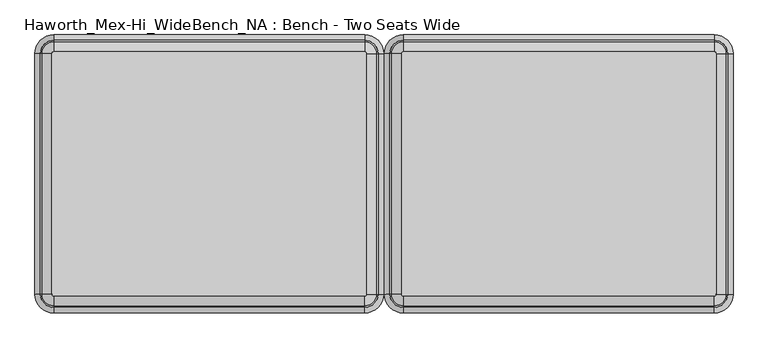
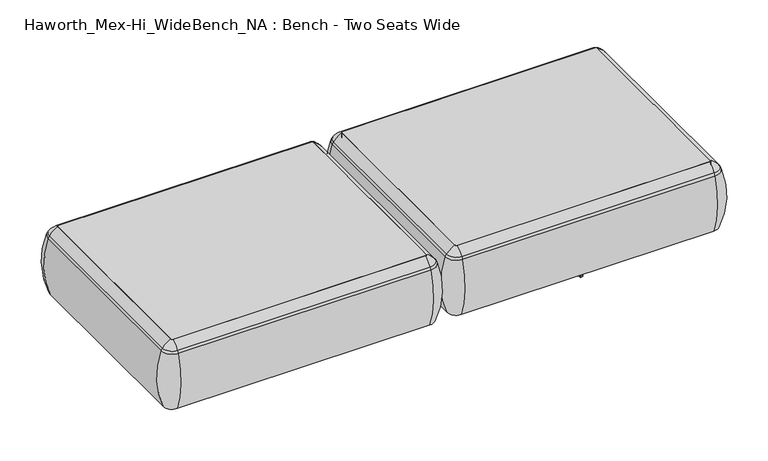
"""IFC4 building model written with IfcOpenShell, lengths in millimetres: furniture geometry, Haworth_Mex-Hi_WideBench_NA : Bench - Two Seats Wide."""

import ifcopenshell
import ifcopenshell.guid

model = None  # the IFC model being written
_history = None  # IfcOwnerHistory: only IFC2X3 demands one
_inside = {}  # id of a spatial element -> (the spatial element, [elements in it])
_under = {}  # id of a project, library or spatial element -> (it, [spatial elements below it])
_declared = {}  # id of a project -> (the project, [libraries it declares])
_typed = {}  # id of a type object -> (the type object, [elements of that type])
_made_of = {}  # id of a material, layer set ... -> (it, [elements and type objects made of it])


def new_model(schema):
    """Start an empty IFC model of exactly this schema.

    Asked for "IFC4X3", IfcOpenShell would pick the latest addendum, in which some entities
    have other attributes; the version numbers below select the first issue.
    IFC2X3 requires an IfcOwnerHistory on every rooted entity: one is made here for all.
    """
    global model, _history
    if schema == "IFC4X3":
        model = ifcopenshell.file(schema_version=(4, 3, 0, 0))
    else:
        model = ifcopenshell.file(schema=schema)
    _inside.clear()
    _under.clear()
    _declared.clear()
    _typed.clear()
    _made_of.clear()
    _history = None
    if model.schema == "IFC2X3":
        org = make("IfcOrganization", Name="unknown")
        user = make(
            "IfcPersonAndOrganization",
            ThePerson=make("IfcPerson", FamilyName="unknown"),
            TheOrganization=org,
        )
        app = make(
            "IfcApplication",
            ApplicationDeveloper=org,
            Version="unknown",
            ApplicationFullName="unknown",
            ApplicationIdentifier="unknown",
        )
        _history = make(
            "IfcOwnerHistory",
            OwningUser=user,
            OwningApplication=app,
            ChangeAction="ADDED",
            CreationDate=0,
        )
    return model


def make(cls, **values):
    """One entity of the class cls with the attributes given. An attribute that is None is left unset."""
    return model.create_entity(
        cls, **{name: value for name, value in values.items() if value is not None}
    )


def rooted(cls, **values):
    """An entity with a GlobalId (a new one), such as an element, a storey or a relation."""
    return make(cls, GlobalId=ifcopenshell.guid.new(), OwnerHistory=_history, **values)


def si_unit(unit_type, name, prefix=None):
    """IfcSIUnit, for example si_unit("LENGTHUNIT", "METRE", prefix="MILLI")."""
    return make("IfcSIUnit", UnitType=unit_type, Prefix=prefix, Name=name)


def assignment(units):
    """IfcUnitAssignment: the units of a project."""
    return None if units is None else make("IfcUnitAssignment", Units=units)


def point(xyz):
    """IfcCartesianPoint."""
    return None if xyz is None else make("IfcCartesianPoint", Coordinates=xyz)


def direction(xyz):
    """IfcDirection."""
    return None if xyz is None else make("IfcDirection", DirectionRatios=xyz)


def frame(location, z_axis=None, x_axis=None):
    """IfcAxis2Placement3D, a coordinate frame: its origin and axes. An axis left out is left unset."""
    return make(
        "IfcAxis2Placement3D",
        Location=point(location),
        Axis=direction(z_axis),
        RefDirection=direction(x_axis),
    )


def frame_2d(location, x_axis=None):
    """IfcAxis2Placement2D, a coordinate frame in the plane: its origin and x axis."""
    return make(
        "IfcAxis2Placement2D", Location=point(location), RefDirection=direction(x_axis)
    )


def origin():
    """The frame at (0, 0, 0) with its axes left unset."""
    return frame((0.0, 0.0, 0.0))


def place(relative_to, where):
    """IfcLocalPlacement: puts the frame where relative to a parent placement (None: the world)."""
    return make(
        "IfcLocalPlacement", PlacementRelTo=relative_to, RelativePlacement=where
    )


def context(
    kind, dimensions, precision=None, world=None, true_north=None, identifier=None
):
    """IfcGeometricRepresentationContext, for example the 3D "Model" context."""
    return make(
        "IfcGeometricRepresentationContext",
        ContextIdentifier=identifier,
        ContextType=kind,
        CoordinateSpaceDimension=dimensions,
        Precision=precision,
        WorldCoordinateSystem=world,
        TrueNorth=true_north,
    )


def project(units=None, contexts=None):
    """IfcProject with its units and contexts."""
    return rooted(
        "IfcProject",
        Name="project",
        RepresentationContexts=contexts,
        UnitsInContext=assignment(units),
    )


def spatial(cls, under=None, at=None, **own):
    """A site, building, storey or space (cls), placed at a placement, below another one or the project."""
    s = rooted(cls, ObjectPlacement=at, **own)
    if under is not None:
        _under.setdefault(under.id(), (under, []))[1].append(s)
    return s


def polyline(points):
    """IfcPolyline through the points."""
    return make("IfcPolyline", Points=[point(p) for p in points])


def circle_curve(where, radius):
    """IfcCircle in the frame where."""
    return make("IfcCircle", Position=where, Radius=radius)


def ellipse_curve(where, semi_axis1, semi_axis2):
    """IfcEllipse in the frame where."""
    return make(
        "IfcEllipse", Position=where, SemiAxis1=semi_axis1, SemiAxis2=semi_axis2
    )


def trimmed(basis, trim1, trim2, sense, master):
    """IfcTrimmedCurve: the piece of a basis curve between two trims."""
    return make(
        "IfcTrimmedCurve",
        BasisCurve=basis,
        Trim1=trim1,
        Trim2=trim2,
        SenseAgreement=sense,
        MasterRepresentation=master,
    )


def segment(curve, same_sense, transition):
    """IfcCompositeCurveSegment."""
    return make(
        "IfcCompositeCurveSegment",
        Transition=transition,
        SameSense=same_sense,
        ParentCurve=curve,
    )


def composite_curve(segments, self_intersect=None):
    """IfcCompositeCurve: segments joined end to end."""
    return make("IfcCompositeCurve", Segments=segments, SelfIntersect=self_intersect)


def outline(outer, holes=None, kind="AREA"):
    """IfcArbitraryClosedProfileDef: a profile drawn as a closed curve; with holes, ...WithVoids."""
    if holes is None:
        return make("IfcArbitraryClosedProfileDef", ProfileType=kind, OuterCurve=outer)
    return make(
        "IfcArbitraryProfileDefWithVoids",
        ProfileType=kind,
        OuterCurve=outer,
        InnerCurves=holes,
    )


def extrude(swept, where, along, depth):
    """IfcExtrudedAreaSolid: the profile swept, set in the frame where, extruded along a direction by depth."""
    return make(
        "IfcExtrudedAreaSolid",
        SweptArea=swept,
        Position=where,
        ExtrudedDirection=direction(along),
        Depth=depth,
    )


def shape(context_of_items, identifier, shape_type, items):
    """IfcShapeRepresentation: the items that make up one representation, for example the "Body"."""
    return make(
        "IfcShapeRepresentation",
        ContextOfItems=context_of_items,
        RepresentationIdentifier=identifier,
        RepresentationType=shape_type,
        Items=items,
    )


def source(mapping_origin, context_of_items, identifier, shape_type, items):
    """IfcRepresentationMap: a shape defined once, which mapped items show again and again."""
    return make(
        "IfcRepresentationMap",
        MappingOrigin=mapping_origin,
        MappedRepresentation=shape(context_of_items, identifier, shape_type, items),
    )


def transform(
    local_origin,
    x_axis=None,
    y_axis=None,
    z_axis=None,
    scale=None,
    scale2=None,
    scale3=None,
    uniform=True,
):
    """IfcCartesianTransformationOperator3D, or its non-uniform kind. x_axis, y_axis, z_axis: its Axis1, 2, 3."""
    if uniform:
        return make(
            "IfcCartesianTransformationOperator3D",
            Axis1=direction(x_axis),
            Axis2=direction(y_axis),
            LocalOrigin=point(local_origin),
            Scale=scale,
            Axis3=direction(z_axis),
        )
    return make(
        "IfcCartesianTransformationOperator3DnonUniform",
        Axis1=direction(x_axis),
        Axis2=direction(y_axis),
        LocalOrigin=point(local_origin),
        Scale=scale,
        Axis3=direction(z_axis),
        Scale2=scale2,
        Scale3=scale3,
    )


def mapped(mapping_source, mapping_target):
    """IfcMappedItem: shows the shape of a source again, moved by a transform."""
    return make(
        "IfcMappedItem", MappingSource=mapping_source, MappingTarget=mapping_target
    )


def made_of(thing, what):
    """Note that an element or type object is made of a material, layer set ...; save() writes the relation."""
    if what is not None:
        _made_of.setdefault(what.id(), (what, []))[1].append(thing)
    return thing


def element(
    cls,
    number,
    at=None,
    inside=None,
    cuts=None,
    type_object=None,
    material=None,
    context=None,
    identifier="Body",
    shape_type=None,
    held_by="IfcProductDefinitionShape",
    body=None,
    shapes=None,
    **own,
):
    """One element of the class cls, such as IfcWall. Its Tag is "e" and its number.

    at: its placement. inside: the storey or other place that contains it. cuts: it is an
    opening in that element (IfcRelVoidsElement). A single representation is given by context,
    identifier, shape_type and body (its items); several are given by shapes. held_by: the class
    of the entity that holds the representations. save() writes the other relations.
    """
    e = rooted(cls, Tag="e%d" % number, ObjectPlacement=at, **own)
    if body is not None:
        shapes = [shape(context, identifier, shape_type, body)]
    if shapes is not None:
        e.Representation = make(held_by, Representations=shapes)
    if inside is not None:
        _inside.setdefault(inside.id(), (inside, []))[1].append(e)
    if cuts is not None:
        rooted(
            "IfcRelVoidsElement", RelatingBuildingElement=cuts, RelatedOpeningElement=e
        )
    if type_object is not None:
        _typed.setdefault(type_object.id(), (type_object, []))[1].append(e)
    return made_of(e, material)


def aggregate(whole, parts):
    """IfcRelAggregates: a whole, such as a stair, and the parts it consists of."""
    return rooted("IfcRelAggregates", RelatingObject=whole, RelatedObjects=parts)


def save(model, path):
    """Write the relations noted so far, then the file.

    IfcRelAggregates (storeys below a building ...), IfcRelContainedInSpatialStructure (elements
    in a storey), IfcRelDefinesByType, IfcRelAssociatesMaterial and IfcRelDeclares: one each for
    every whole, place, type object, material and project.
    """
    for whole, parts in _under.values():
        aggregate(whole, parts)
    for where, things in _inside.values():
        rooted(
            "IfcRelContainedInSpatialStructure",
            RelatedElements=things,
            RelatingStructure=where,
        )
    for kind, things in _typed.values():
        rooted("IfcRelDefinesByType", RelatedObjects=things, RelatingType=kind)
    for what, things in _made_of.values():
        rooted("IfcRelAssociatesMaterial", RelatedObjects=things, RelatingMaterial=what)
    for by, libraries in _declared.values():
        rooted("IfcRelDeclares", RelatingContext=by, RelatedDefinitions=libraries)
    model.write(path)


def plane_surface(at):
    """IfcPlane: the flat surface through the origin of the frame at, square to its z axis."""
    return make("IfcPlane", Position=at)


def cylinder_surface(at, radius):
    """IfcCylindricalSurface: all points at the distance radius from the z axis of the frame at."""
    return make("IfcCylindricalSurface", Position=at, Radius=radius)


def revolved_surface(curve, axis_point, axis_direction):
    """IfcSurfaceOfRevolution: the curve turned about the line through axis_point along axis_direction."""
    return make(
        "IfcSurfaceOfRevolution",
        SweptCurve=make("IfcArbitraryOpenProfileDef", ProfileType="CURVE", Curve=curve),
        AxisPosition=make("IfcAxis1Placement", Location=point(axis_point), Axis=direction(axis_direction)),
    )


def advanced_brep(points, edges, surfaces, faces):
    """IfcAdvancedBrep: a solid bounded by faces that lie on surfaces and meet in shared edges.

    An edge is (start, end): straight between two places in points (the first is 0);
    or (start, end, curve); or (start, end, curve, False) where it runs against its curve.
    A face is (place in surfaces, loops), or (place, loops, False) where it looks against
    its surface's normal. A loop lists edges by number (the first is 1), with a minus sign
    where the edge is run from its end to its start. The first loop is the outer one.
    """
    corners = [point(p) for p in points]
    vertices = [make("IfcVertexPoint", VertexGeometry=c) for c in corners]
    made = []
    for start, end, *more in edges:
        made.append(
            make(
                "IfcEdgeCurve",
                EdgeStart=vertices[start],
                EdgeEnd=vertices[end],
                EdgeGeometry=more[0] if more else make("IfcPolyline", Points=[corners[start], corners[end]]),
                SameSense=more[1] if len(more) > 1 else True,
            )
        )
    hull = []
    for where, loops, *sense in faces:
        bounds = []
        for j, loop in enumerate(loops):
            ring = [make("IfcOrientedEdge", EdgeElement=made[abs(k) - 1], Orientation=k > 0) for k in loop]
            bounds.append(
                make(
                    "IfcFaceOuterBound" if j == 0 else "IfcFaceBound",
                    Bound=make("IfcEdgeLoop", EdgeList=ring),
                    Orientation=True,
                )
            )
        hull.append(make("IfcAdvancedFace", Bounds=bounds, FaceSurface=surfaces[where], SameSense=sense[0] if sense else True))
    return make("IfcAdvancedBrep", Outer=make("IfcClosedShell", CfsFaces=hull))


def haworth_mex_hi_widebench_na_bench_two_seats_wide_22a17a26(model_context):
    return source(origin(), model_context, "Body", "SolidModel", [
        extrude(outline(composite_curve([segment(trimmed(circle_curve(frame_2d((885.0815868, -668.4794123)), 5.2798073), [point((890.3613941, -668.4794123))], [point((885.0815868, -673.7592195))], False, "CARTESIAN"), True, "CONTINUOUS"), segment(polyline([(885.0815868, -673.7592195), (-94.0884132, -673.7592195)]), True, "CONTINUOUS"), segment(trimmed(circle_curve(frame_2d((-94.0884132, -668.4794123)), 5.2798073), [point((-94.0884132, -673.7592195))], [point((-99.3682204, -668.4794123))], False, "CARTESIAN"), True, "CONTINUOUS"), segment(polyline([(-99.3682204, -668.4794123), (-99.3682204, 89.8571486)]), True, "CONTINUOUS"), segment(trimmed(circle_curve(frame_2d((-94.0884132, 89.8571486)), 5.2798073), [point((-99.3682204, 89.8571486))], [point((-94.0884132, 95.1369558))], False, "CARTESIAN"), True, "CONTINUOUS"), segment(polyline([(-94.0884132, 95.1369558), (885.0815868, 95.1369558)]), True, "CONTINUOUS"), segment(trimmed(circle_curve(frame_2d((885.0815868, 89.8571486)), 5.2798073), [point((885.0815868, 95.1369558))], [point((890.3613941, 89.8571486))], False, "CARTESIAN"), True, "CONTINUOUS"), segment(polyline([(890.3613941, 89.8571486), (890.3613941, -668.4794123)]), True, "CONTINUOUS")], self_intersect=False)), frame((0.0, 0.0, 123.9999984), z_axis=(0.0, 0.0, 1.0), x_axis=(1.0, 0.0, 0.0)), (0.0, 0.0, 1.0), 266.3914023),
        advanced_brep(
        [(-99.3682204, -668.4794123, 390.3914007), (-94.0884132, -673.7592195, 390.3914007), (-94.0884132, -673.7592195, 123.9999984), (-99.3682204, -668.4794123, 123.9999984), (-128.0562646, -668.4794123, 123.9999984), (-94.0884132, -702.4472637, 123.9999984), (-94.0884132, -710.1267287, 353.7769053), (-135.7357296, -668.4794123, 353.7769053), (-99.3682204, 89.8571486, 123.9999984), (-99.3682204, 89.8571486, 390.3914007), (-135.7357296, 89.8571486, 353.7769053), (-128.0562646, 89.8571486, 123.9999984), (-94.0884132, 95.1369558, 390.3914007), (-94.0884132, 95.1369558, 123.9999984), (-94.0884132, 123.825, 123.9999984), (-94.0884132, 131.504465, 353.7769053), (885.0815868, 95.1369558, 123.9999984), (885.0815868, 95.1369558, 390.3914007), (885.0815868, 131.504465, 353.7769053), (885.0815868, 123.825, 123.9999984), (890.3613941, 89.8571486, 390.3914007), (890.3613941, 89.8571486, 123.9999984), (919.0494383, 89.8571486, 123.9999984), (926.7289033, 89.8571486, 353.7769053), (890.3613941, -668.4794123, 123.9999984), (890.3613941, -668.4794123, 390.3914007), (926.7289033, -668.4794123, 353.7769053), (919.0494383, -668.4794123, 123.9999984), (885.0815868, -673.7592195, 390.3914007), (885.0815868, -673.7592195, 123.9999984), (885.0815868, -702.4472637, 123.9999984), (885.0815868, -710.1267287, 353.7769053), (-130.5172697, -668.4794123, 363.6402875), (-94.0884132, -704.9082688, 363.6402875), (-130.5172697, 89.8571486, 363.6402875), (-94.0884132, 126.2860051, 363.6402875), (885.0815868, 126.2860051, 363.6402875), (921.5104434, 89.8571486, 363.6402875), (921.5104434, -668.4794123, 363.6402875), (885.0815868, -704.9082688, 363.6402875)],
        [
            (0, 1, circle_curve(frame((-94.0884132, -668.4794123, 390.3914007), z_axis=(0.0, 0.0, 1.0), x_axis=(0.0, -1.0, 0.0)), 5.2798073)),
            (1, 2),
            (2, 3, circle_curve(frame((-94.0884132, -668.4794123, 123.9999984), z_axis=(0.0, 0.0, -1.0), x_axis=(0.0, -1.0, 0.0)), 5.2798073)),
            (3, 0),
            (4, 5, circle_curve(frame((-94.0884132, -668.4794123, 123.9999984), z_axis=(0.0, 0.0, 1.0), x_axis=(0.0, -1.0, 0.0)), 33.9678514)),
            (5, 6, circle_curve(frame((-94.0884132, -406.0729797, 248.9220234), z_axis=(-1.0, 0.0, 0.0), x_axis=(0.0, -1.0, 0.0)), 321.625914)),
            (6, 7, circle_curve(frame((-94.0884132, -668.4794123, 353.7769053), z_axis=(0.0, 0.0, -1.0), x_axis=(0.0, -1.0, 0.0)), 41.6473165)),
            (7, 4, circle_curve(frame((168.3180194, -668.4794123, 248.9220234), z_axis=(0.0, -1.0, 0.0), x_axis=(-1.0, 0.0, 0.0)), 321.625914)),
            (3, 8),
            (8, 9),
            (9, 0),
            (7, 10),
            (10, 11, circle_curve(frame((168.3180194, 89.8571486, 248.9220234), z_axis=(0.0, -1.0, 0.0), x_axis=(-1.0, 0.0, 0.0)), 321.625914)),
            (11, 4),
            (12, 9, circle_curve(frame((-94.0884132, 89.8571486, 390.3914007), z_axis=(0.0, 0.0, 1.0), x_axis=(-1.0, 0.0, 0.0)), 5.2798073)),
            (8, 13, circle_curve(frame((-94.0884132, 89.8571486, 123.9999984), z_axis=(0.0, 0.0, -1.0), x_axis=(-1.0, 0.0, 0.0)), 5.2798073)),
            (13, 12),
            (14, 11, circle_curve(frame((-94.0884132, 89.8571486, 123.9999984), z_axis=(0.0, 0.0, 1.0), x_axis=(-1.0, 0.0, 0.0)), 33.9678514)),
            (10, 15, circle_curve(frame((-94.0884132, 89.8571486, 353.7769053), z_axis=(0.0, 0.0, -1.0), x_axis=(-1.0, 0.0, 0.0)), 41.6473165)),
            (15, 14, circle_curve(frame((-94.0884132, -172.549284, 248.9220234), z_axis=(-1.0, 0.0, 0.0), x_axis=(0.0, 1.0, 0.0)), 321.625914)),
            (13, 16),
            (16, 17),
            (17, 12),
            (15, 18),
            (18, 19, circle_curve(frame((885.0815868, -172.549284, 248.9220234), z_axis=(-1.0, 0.0, 0.0), x_axis=(0.0, 1.0, 0.0)), 321.625914)),
            (19, 14),
            (20, 17, circle_curve(frame((885.0815868, 89.8571486, 390.3914007), z_axis=(0.0, 0.0, 1.0), x_axis=(0.0, 1.0, 0.0)), 5.2798073)),
            (16, 21, circle_curve(frame((885.0815868, 89.8571486, 123.9999984), z_axis=(0.0, 0.0, -1.0), x_axis=(0.0, 1.0, 0.0)), 5.2798073)),
            (21, 20),
            (22, 19, circle_curve(frame((885.0815868, 89.8571486, 123.9999984), z_axis=(0.0, 0.0, 1.0), x_axis=(0.0, 1.0, 0.0)), 33.9678514)),
            (18, 23, circle_curve(frame((885.0815868, 89.8571486, 353.7769053), z_axis=(0.0, 0.0, -1.0), x_axis=(0.0, 1.0, 0.0)), 41.6473165)),
            (23, 22, circle_curve(frame((622.6751543, 89.8571486, 248.9220234), z_axis=(0.0, 1.0, 0.0), x_axis=(1.0, 0.0, 0.0)), 321.625914)),
            (21, 24),
            (24, 25),
            (25, 20),
            (23, 26),
            (26, 27, circle_curve(frame((622.6751543, -668.4794123, 248.9220234), z_axis=(0.0, 1.0, 0.0), x_axis=(1.0, 0.0, 0.0)), 321.625914)),
            (27, 22),
            (28, 25, circle_curve(frame((885.0815868, -668.4794123, 390.3914007), z_axis=(0.0, 0.0, 1.0), x_axis=(1.0, 0.0, 0.0)), 5.2798073)),
            (24, 29, circle_curve(frame((885.0815868, -668.4794123, 123.9999984), z_axis=(0.0, 0.0, -1.0), x_axis=(1.0, 0.0, 0.0)), 5.2798073)),
            (29, 28),
            (30, 27, circle_curve(frame((885.0815868, -668.4794123, 123.9999984), z_axis=(0.0, 0.0, 1.0), x_axis=(1.0, 0.0, 0.0)), 33.9678514)),
            (26, 31, circle_curve(frame((885.0815868, -668.4794123, 353.7769053), z_axis=(0.0, 0.0, -1.0), x_axis=(1.0, 0.0, 0.0)), 41.6473165)),
            (31, 30, circle_curve(frame((885.0815868, -406.0729797, 248.9220234), z_axis=(1.0, 0.0, 0.0), x_axis=(0.0, -1.0, 0.0)), 321.625914)),
            (30, 5),
            (2, 29),
            (1, 28),
            (31, 6),
            (32, 33, circle_curve(frame((-94.0884132, -668.4794123, 363.6402875), z_axis=(0.0, 0.0, 1.0), x_axis=(0.0, -1.0, 0.0)), 36.4288566)),
            (33, 1, circle_curve(frame((-94.0884132, -629.5266, 307.3762868), z_axis=(-1.0, 0.0, 0.0), x_axis=(0.0, -1.0, 0.0)), 94.0639876)),
            (0, 32, circle_curve(frame((-55.1356009, -668.4794123, 307.3762868), z_axis=(0.0, -1.0, 0.0), x_axis=(-1.0, 0.0, 0.0)), 94.0639876)),
            (6, 33, circle_curve(frame((-94.0884132, -675.8620096, 341.9604975), z_axis=(-1.0, 0.0, 0.0), x_axis=(0.0, -1.0, 0.0)), 36.2449785)),
            (32, 7, circle_curve(frame((-101.4710105, -668.4794123, 341.9604975), z_axis=(0.0, -1.0, 0.0), x_axis=(-1.0, 0.0, 0.0)), 36.2449785)),
            (9, 34, circle_curve(frame((-55.1356009, 89.8571486, 307.3762868), z_axis=(0.0, -1.0, 0.0), x_axis=(-1.0, 0.0, 0.0)), 94.0639876)),
            (34, 32),
            (34, 10, circle_curve(frame((-101.4710105, 89.8571486, 341.9604975), z_axis=(0.0, -1.0, 0.0), x_axis=(-1.0, 0.0, 0.0)), 36.2449785)),
            (35, 34, circle_curve(frame((-94.0884132, 89.8571486, 363.6402875), z_axis=(0.0, 0.0, 1.0), x_axis=(-1.0, 0.0, 0.0)), 36.4288566)),
            (12, 35, circle_curve(frame((-94.0884132, 50.9043363, 307.3762868), z_axis=(-1.0, 0.0, 0.0), x_axis=(0.0, 1.0, 0.0)), 94.0639876)),
            (35, 15, circle_curve(frame((-94.0884132, 97.2397459, 341.9604975), z_axis=(-1.0, 0.0, 0.0), x_axis=(0.0, 1.0, 0.0)), 36.2449785)),
            (17, 36, circle_curve(frame((885.0815868, 50.9043363, 307.3762868), z_axis=(-1.0, 0.0, 0.0), x_axis=(0.0, 1.0, 0.0)), 94.0639876)),
            (36, 35),
            (36, 18, circle_curve(frame((885.0815868, 97.2397459, 341.9604975), z_axis=(-1.0, 0.0, 0.0), x_axis=(0.0, 1.0, 0.0)), 36.2449785)),
            (37, 36, circle_curve(frame((885.0815868, 89.8571486, 363.6402875), z_axis=(0.0, 0.0, 1.0), x_axis=(0.0, 1.0, 0.0)), 36.4288566)),
            (20, 37, circle_curve(frame((846.1287746, 89.8571486, 307.3762868), z_axis=(0.0, 1.0, 0.0), x_axis=(1.0, 0.0, 0.0)), 94.0639876)),
            (37, 23, circle_curve(frame((892.4641842, 89.8571486, 341.9604975), z_axis=(0.0, 1.0, 0.0), x_axis=(1.0, 0.0, 0.0)), 36.2449785)),
            (25, 38, circle_curve(frame((846.1287746, -668.4794123, 307.3762868), z_axis=(0.0, 1.0, 0.0), x_axis=(1.0, 0.0, 0.0)), 94.0639876)),
            (38, 37),
            (38, 26, circle_curve(frame((892.4641842, -668.4794123, 341.9604975), z_axis=(0.0, 1.0, 0.0), x_axis=(1.0, 0.0, 0.0)), 36.2449785)),
            (39, 38, circle_curve(frame((885.0815868, -668.4794123, 363.6402875), z_axis=(0.0, 0.0, 1.0), x_axis=(1.0, 0.0, 0.0)), 36.4288566)),
            (28, 39, circle_curve(frame((885.0815868, -629.5266, 307.3762868), z_axis=(1.0, 0.0, 0.0), x_axis=(0.0, -1.0, 0.0)), 94.0639876)),
            (39, 31, circle_curve(frame((885.0815868, -675.8620096, 341.9604975), z_axis=(1.0, 0.0, 0.0), x_axis=(0.0, -1.0, 0.0)), 36.2449785)),
            (33, 39),
        ],
        [
            revolved_surface(polyline([(-94.0884132, -673.7592196, 123.9999984), (-94.0884132, -673.7592196, 390.3914007)]), (-94.0884132, -668.4794123, 0.0), (0.0, 0.0, -1.0)),
            revolved_surface(trimmed(ellipse_curve(frame((-94.0884132, -406.0729797, 248.9220234), z_axis=(1.0, 0.0, 0.0), x_axis=(0.0, -1.0, 0.0)), 321.625914, 321.625914), [point((-94.0884132, -710.1267287, 353.7769053))], [point((-94.0884132, -702.4472637, 123.9999984))], True, "CARTESIAN"), (-94.0884132, -668.4794123, 0.0), (0.0, 0.0, -1.0)),
            plane_surface(frame((-99.3682204, -668.4794123, 123.9999984), z_axis=(1.0, 0.0, 0.0), x_axis=(0.0, 1.0, 0.0))),
            cylinder_surface(frame((168.3180194, -668.4794123, 248.9220234), z_axis=(0.0, -1.0, 0.0), x_axis=(-1.0, 0.0, 0.0)), 321.625914),
            revolved_surface(polyline([(-99.3682205, 89.8571486, 123.9999984), (-99.3682205, 89.8571486, 390.3914007)]), (-94.0884132, 89.8571486, 0.0), (0.0, 0.0, -1.0)),
            revolved_surface(trimmed(ellipse_curve(frame((168.3180194, 89.8571486, 248.9220234), z_axis=(0.0, -1.0, 0.0), x_axis=(-1.0, 0.0, 0.0)), 321.625914, 321.625914), [point((-135.7357296, 89.8571486, 353.7769053))], [point((-128.0562646, 89.8571486, 123.9999984))], True, "CARTESIAN"), (-94.0884132, 89.8571486, 0.0), (0.0, 0.0, -1.0)),
            plane_surface(frame((-94.0884132, 95.1369558, 123.9999984), z_axis=(0.0, -1.0, 0.0), x_axis=(1.0, 0.0, 0.0))),
            cylinder_surface(frame((-94.0884132, -172.549284, 248.9220234), z_axis=(-1.0, 0.0, 0.0), x_axis=(0.0, 1.0, 0.0)), 321.625914),
            revolved_surface(polyline([(885.0815868, 95.1369559, 123.9999984), (885.0815868, 95.1369559, 390.3914007)]), (885.0815868, 89.8571486, 0.0), (0.0, 0.0, -1.0)),
            revolved_surface(trimmed(ellipse_curve(frame((885.0815868, -172.549284, 248.9220234), z_axis=(-1.0, 0.0, 0.0), x_axis=(0.0, 1.0, 0.0)), 321.625914, 321.625914), [point((885.0815868, 131.504465, 353.7769053))], [point((885.0815868, 123.825, 123.9999984))], True, "CARTESIAN"), (885.0815868, 89.8571486, 0.0), (0.0, 0.0, -1.0)),
            plane_surface(frame((890.3613941, 89.8571486, 123.9999984), z_axis=(-1.0, 0.0, 0.0), x_axis=(0.0, -1.0, 0.0))),
            cylinder_surface(frame((622.6751543, 89.8571486, 248.9220234), z_axis=(0.0, 1.0, 0.0), x_axis=(1.0, 0.0, 0.0)), 321.625914),
            revolved_surface(polyline([(890.3613941, -668.4794123, 123.9999984), (890.3613941, -668.4794123, 390.3914007)]), (885.0815868, -668.4794123, 0.0), (0.0, 0.0, -1.0)),
            revolved_surface(trimmed(ellipse_curve(frame((622.6751543, -668.4794123, 248.9220234), z_axis=(0.0, 1.0, 0.0), x_axis=(1.0, 0.0, 0.0)), 321.625914, 321.625914), [point((926.7289033, -668.4794123, 353.7769053))], [point((919.0494383, -668.4794123, 123.9999984))], True, "CARTESIAN"), (885.0815868, -668.4794123, 0.0), (0.0, 0.0, -1.0)),
            plane_surface(frame((885.0815868, -702.4472637, 123.9999984), z_axis=(0.0, 0.0, -1.0), x_axis=(-1.0, 0.0, 0.0))),
            plane_surface(frame((885.0815868, -673.7592195, 123.9999984), z_axis=(0.0, 1.0, 0.0), x_axis=(-1.0, 0.0, 0.0))),
            cylinder_surface(frame((885.0815868, -406.0729797, 248.9220234), z_axis=(1.0, 0.0, 0.0), x_axis=(0.0, -1.0, 0.0)), 321.625914),
            revolved_surface(trimmed(ellipse_curve(frame((-94.0884132, -629.5266, 307.3762868), z_axis=(1.0, 0.0, 0.0), x_axis=(0.0, -1.0, 0.0)), 94.0639876, 94.0639876), [point((-94.0884132, -673.7592195, 390.3914007))], [point((-94.0884132, -704.9082688, 363.6402875))], True, "CARTESIAN"), (-94.0884132, -668.4794123, 0.0), (0.0, 0.0, -1.0)),
            revolved_surface(trimmed(ellipse_curve(frame((-94.0884132, -675.8620096, 341.9604975), z_axis=(1.0, 0.0, 0.0), x_axis=(0.0, -1.0, 0.0)), 36.2449785, 36.2449785), [point((-94.0884132, -704.9082688, 363.6402875))], [point((-94.0884132, -710.1267287, 353.7769053))], True, "CARTESIAN"), (-94.0884132, -668.4794123, 0.0), (0.0, 0.0, -1.0)),
            cylinder_surface(frame((-55.1356009, -668.4794123, 307.3762868), z_axis=(0.0, -1.0, 0.0), x_axis=(-1.0, 0.0, 0.0)), 94.0639876),
            cylinder_surface(frame((-101.4710105, -668.4794123, 341.9604975), z_axis=(0.0, -1.0, 0.0), x_axis=(-1.0, 0.0, 0.0)), 36.2449785),
            revolved_surface(trimmed(ellipse_curve(frame((-55.1356009, 89.8571486, 307.3762868), z_axis=(0.0, -1.0, 0.0), x_axis=(-1.0, 0.0, 0.0)), 94.0639876, 94.0639876), [point((-99.3682204, 89.8571486, 390.3914007))], [point((-130.5172697, 89.8571486, 363.6402875))], True, "CARTESIAN"), (-94.0884132, 89.8571486, 0.0), (0.0, 0.0, -1.0)),
            revolved_surface(trimmed(ellipse_curve(frame((-101.4710105, 89.8571486, 341.9604975), z_axis=(0.0, -1.0, 0.0), x_axis=(-1.0, 0.0, 0.0)), 36.2449785, 36.2449785), [point((-130.5172697, 89.8571486, 363.6402875))], [point((-135.7357296, 89.8571486, 353.7769053))], True, "CARTESIAN"), (-94.0884132, 89.8571486, 0.0), (0.0, 0.0, -1.0)),
            cylinder_surface(frame((-94.0884132, 50.9043363, 307.3762868), z_axis=(-1.0, 0.0, 0.0), x_axis=(0.0, 1.0, 0.0)), 94.0639876),
            cylinder_surface(frame((-94.0884132, 97.2397459, 341.9604975), z_axis=(-1.0, 0.0, 0.0), x_axis=(0.0, 1.0, 0.0)), 36.2449785),
            revolved_surface(trimmed(ellipse_curve(frame((885.0815868, 50.9043363, 307.3762868), z_axis=(-1.0, 0.0, 0.0), x_axis=(0.0, 1.0, 0.0)), 94.0639876, 94.0639876), [point((885.0815868, 95.1369558, 390.3914007))], [point((885.0815868, 126.2860051, 363.6402875))], True, "CARTESIAN"), (885.0815868, 89.8571486, 0.0), (0.0, 0.0, -1.0)),
            revolved_surface(trimmed(ellipse_curve(frame((885.0815868, 97.2397459, 341.9604975), z_axis=(-1.0, 0.0, 0.0), x_axis=(0.0, 1.0, 0.0)), 36.2449785, 36.2449785), [point((885.0815868, 126.2860051, 363.6402875))], [point((885.0815868, 131.504465, 353.7769053))], True, "CARTESIAN"), (885.0815868, 89.8571486, 0.0), (0.0, 0.0, -1.0)),
            cylinder_surface(frame((846.1287746, 89.8571486, 307.3762868), z_axis=(0.0, 1.0, 0.0), x_axis=(1.0, 0.0, 0.0)), 94.0639876),
            cylinder_surface(frame((892.4641842, 89.8571486, 341.9604975), z_axis=(0.0, 1.0, 0.0), x_axis=(1.0, 0.0, 0.0)), 36.2449785),
            revolved_surface(trimmed(ellipse_curve(frame((846.1287746, -668.4794123, 307.3762868), z_axis=(0.0, 1.0, 0.0), x_axis=(1.0, 0.0, 0.0)), 94.0639876, 94.0639876), [point((890.3613941, -668.4794123, 390.3914007))], [point((921.5104434, -668.4794123, 363.6402875))], True, "CARTESIAN"), (885.0815868, -668.4794123, 0.0), (0.0, 0.0, -1.0)),
            revolved_surface(trimmed(ellipse_curve(frame((892.4641842, -668.4794123, 341.9604975), z_axis=(0.0, 1.0, 0.0), x_axis=(1.0, 0.0, 0.0)), 36.2449785, 36.2449785), [point((921.5104434, -668.4794123, 363.6402875))], [point((926.7289033, -668.4794123, 353.7769053))], True, "CARTESIAN"), (885.0815868, -668.4794123, 0.0), (0.0, 0.0, -1.0)),
            cylinder_surface(frame((885.0815868, -629.5266, 307.3762868), z_axis=(1.0, 0.0, 0.0), x_axis=(0.0, -1.0, 0.0)), 94.0639876),
            cylinder_surface(frame((885.0815868, -675.8620096, 341.9604975), z_axis=(1.0, 0.0, 0.0), x_axis=(0.0, -1.0, 0.0)), 36.2449785),
        ],
        [
            (0, [[1, 2, 3, 4]]),
            (1, [[5, 6, 7, 8]]),
            (2, [[-4, 9, 10, 11]]),
            (3, [[-8, 12, 13, 14]]),
            (4, [[15, -10, 16, 17]]),
            (5, [[18, -13, 19, 20]]),
            (6, [[-17, 21, 22, 23]]),
            (7, [[-20, 24, 25, 26]]),
            (8, [[27, -22, 28, 29]]),
            (9, [[30, -25, 31, 32]]),
            (10, [[-29, 33, 34, 35]]),
            (11, [[-32, 36, 37, 38]]),
            (12, [[39, -34, 40, 41]]),
            (13, [[42, -37, 43, 44]]),
            (14, [[-38, -42, 45, -5, -14, -18, -26, -30], [46, -40, -33, -28, -21, -16, -9, -3]]),
            (15, [[-41, -46, -2, 47]]),
            (16, [[-44, 48, -6, -45]]),
            (17, [[49, 50, -1, 51]]),
            (18, [[-7, 52, -49, 53]]),
            (19, [[-51, -11, 54, 55]]),
            (20, [[-53, -55, 56, -12]]),
            (21, [[57, -54, -15, 58]]),
            (22, [[-19, -56, -57, 59]]),
            (23, [[-58, -23, 60, 61]]),
            (24, [[-59, -61, 62, -24]]),
            (25, [[63, -60, -27, 64]]),
            (26, [[-31, -62, -63, 65]]),
            (27, [[-64, -35, 66, 67]]),
            (28, [[-65, -67, 68, -36]]),
            (29, [[69, -66, -39, 70]]),
            (30, [[-43, -68, -69, 71]]),
            (31, [[-70, -47, -50, 72]]),
            (32, [[-71, -72, -52, -48]]),
        ],
    ),
        extrude(outline(composite_curve([segment(trimmed(circle_curve(frame_2d((-215.0888998, -668.4794123)), 5.2798073), [point((-209.8090925, -668.4794123))], [point((-215.0888998, -673.7592195))], False, "CARTESIAN"), True, "CONTINUOUS"), segment(polyline([(-215.0888998, -673.7592195), (-1194.2588998, -673.7592195)]), True, "CONTINUOUS"), segment(trimmed(circle_curve(frame_2d((-1194.2588998, -668.4794123)), 5.2798073), [point((-1194.2588998, -673.7592195))], [point((-1199.538707, -668.4794123))], False, "CARTESIAN"), True, "CONTINUOUS"), segment(polyline([(-1199.538707, -668.4794123), (-1199.538707, 89.8571486)]), True, "CONTINUOUS"), segment(trimmed(circle_curve(frame_2d((-1194.2588998, 89.8571486)), 5.2798073), [point((-1199.538707, 89.8571486))], [point((-1194.2588998, 95.1369558))], False, "CARTESIAN"), True, "CONTINUOUS"), segment(polyline([(-1194.2588998, 95.1369558), (-215.0888998, 95.1369558)]), True, "CONTINUOUS"), segment(trimmed(circle_curve(frame_2d((-215.0888998, 89.8571486)), 5.2798073), [point((-215.0888998, 95.1369558))], [point((-209.8090925, 89.8571486))], False, "CARTESIAN"), True, "CONTINUOUS"), segment(polyline([(-209.8090925, 89.8571486), (-209.8090925, -668.4794123)]), True, "CONTINUOUS")], self_intersect=False)), frame((0.0, 0.0, 123.9999984), z_axis=(0.0, 0.0, 1.0), x_axis=(1.0, 0.0, 0.0)), (0.0, 0.0, 1.0), 266.3914023),
        advanced_brep(
        [(-1199.538707, -668.4794123, 390.3914007), (-1194.2588998, -673.7592195, 390.3914007), (-1194.2588998, -673.7592195, 123.9999984), (-1199.538707, -668.4794123, 123.9999984), (-1228.2267512, -668.4794123, 123.9999984), (-1194.2588998, -702.4472637, 123.9999984), (-1194.2588998, -710.1267287, 353.7769053), (-1235.9062162, -668.4794123, 353.7769053), (-1199.538707, 89.8571486, 123.9999984), (-1199.538707, 89.8571486, 390.3914007), (-1235.9062162, 89.8571486, 353.7769053), (-1228.2267512, 89.8571486, 123.9999984), (-1194.2588998, 95.1369558, 390.3914007), (-1194.2588998, 95.1369558, 123.9999984), (-1194.2588998, 123.825, 123.9999984), (-1194.2588998, 131.504465, 353.7769053), (-215.0888998, 95.1369558, 123.9999984), (-215.0888998, 95.1369558, 390.3914007), (-215.0888998, 131.504465, 353.7769053), (-215.0888998, 123.825, 123.9999984), (-209.8090925, 89.8571486, 390.3914007), (-209.8090925, 89.8571486, 123.9999984), (-181.1210483, 89.8571486, 123.9999984), (-173.4415833, 89.8571486, 353.7769053), (-209.8090925, -668.4794123, 123.9999984), (-209.8090925, -668.4794123, 390.3914007), (-173.4415833, -668.4794123, 353.7769053), (-181.1210483, -668.4794123, 123.9999984), (-215.0888998, -673.7592195, 390.3914007), (-215.0888998, -673.7592195, 123.9999984), (-215.0888998, -702.4472637, 123.9999984), (-215.0888998, -710.1267287, 353.7769053), (-1230.6877563, -668.4794123, 363.6402875), (-1194.2588998, -704.9082688, 363.6402875), (-1230.6877563, 89.8571486, 363.6402875), (-1194.2588998, 126.2860051, 363.6402875), (-215.0888998, 126.2860051, 363.6402875), (-178.6600432, 89.8571486, 363.6402875), (-178.6600432, -668.4794123, 363.6402875), (-215.0888998, -704.9082688, 363.6402875)],
        [
            (0, 1, circle_curve(frame((-1194.2588998, -668.4794123, 390.3914007), z_axis=(0.0, 0.0, 1.0), x_axis=(0.0, -1.0, 0.0)), 5.2798073)),
            (1, 2),
            (2, 3, circle_curve(frame((-1194.2588998, -668.4794123, 123.9999984), z_axis=(0.0, 0.0, -1.0), x_axis=(0.0, -1.0, 0.0)), 5.2798073)),
            (3, 0),
            (4, 5, circle_curve(frame((-1194.2588998, -668.4794123, 123.9999984), z_axis=(0.0, 0.0, 1.0), x_axis=(0.0, -1.0, 0.0)), 33.9678514)),
            (5, 6, circle_curve(frame((-1194.2588998, -406.0729797, 248.9220234), z_axis=(-1.0, 0.0, 0.0), x_axis=(0.0, -1.0, 0.0)), 321.625914)),
            (6, 7, circle_curve(frame((-1194.2588998, -668.4794123, 353.7769053), z_axis=(0.0, 0.0, -1.0), x_axis=(0.0, -1.0, 0.0)), 41.6473165)),
            (7, 4, circle_curve(frame((-931.8524672, -668.4794123, 248.9220234), z_axis=(0.0, -1.0, 0.0), x_axis=(-1.0, 0.0, 0.0)), 321.625914)),
            (3, 8),
            (8, 9),
            (9, 0),
            (7, 10),
            (10, 11, circle_curve(frame((-931.8524672, 89.8571486, 248.9220234), z_axis=(0.0, -1.0, 0.0), x_axis=(-1.0, 0.0, 0.0)), 321.625914)),
            (11, 4),
            (12, 9, circle_curve(frame((-1194.2588998, 89.8571486, 390.3914007), z_axis=(0.0, 0.0, 1.0), x_axis=(-1.0, 0.0, 0.0)), 5.2798073)),
            (8, 13, circle_curve(frame((-1194.2588998, 89.8571486, 123.9999984), z_axis=(0.0, 0.0, -1.0), x_axis=(-1.0, 0.0, 0.0)), 5.2798073)),
            (13, 12),
            (14, 11, circle_curve(frame((-1194.2588998, 89.8571486, 123.9999984), z_axis=(0.0, 0.0, 1.0), x_axis=(-1.0, 0.0, 0.0)), 33.9678514)),
            (10, 15, circle_curve(frame((-1194.2588998, 89.8571486, 353.7769053), z_axis=(0.0, 0.0, -1.0), x_axis=(-1.0, 0.0, 0.0)), 41.6473165)),
            (15, 14, circle_curve(frame((-1194.2588998, -172.549284, 248.9220234), z_axis=(-1.0, 0.0, 0.0), x_axis=(0.0, 1.0, 0.0)), 321.625914)),
            (13, 16),
            (16, 17),
            (17, 12),
            (15, 18),
            (18, 19, circle_curve(frame((-215.0888998, -172.549284, 248.9220234), z_axis=(-1.0, 0.0, 0.0), x_axis=(0.0, 1.0, 0.0)), 321.625914)),
            (19, 14),
            (20, 17, circle_curve(frame((-215.0888998, 89.8571486, 390.3914007), z_axis=(0.0, 0.0, 1.0), x_axis=(0.0, 1.0, 0.0)), 5.2798073)),
            (16, 21, circle_curve(frame((-215.0888998, 89.8571486, 123.9999984), z_axis=(0.0, 0.0, -1.0), x_axis=(0.0, 1.0, 0.0)), 5.2798073)),
            (21, 20),
            (22, 19, circle_curve(frame((-215.0888998, 89.8571486, 123.9999984), z_axis=(0.0, 0.0, 1.0), x_axis=(0.0, 1.0, 0.0)), 33.9678514)),
            (18, 23, circle_curve(frame((-215.0888998, 89.8571486, 353.7769053), z_axis=(0.0, 0.0, -1.0), x_axis=(0.0, 1.0, 0.0)), 41.6473165)),
            (23, 22, circle_curve(frame((-477.4953323, 89.8571486, 248.9220234), z_axis=(0.0, 1.0, 0.0), x_axis=(1.0, 0.0, 0.0)), 321.625914)),
            (21, 24),
            (24, 25),
            (25, 20),
            (23, 26),
            (26, 27, circle_curve(frame((-477.4953323, -668.4794123, 248.9220234), z_axis=(0.0, 1.0, 0.0), x_axis=(1.0, 0.0, 0.0)), 321.625914)),
            (27, 22),
            (28, 25, circle_curve(frame((-215.0888998, -668.4794123, 390.3914007), z_axis=(0.0, 0.0, 1.0), x_axis=(1.0, 0.0, 0.0)), 5.2798073)),
            (24, 29, circle_curve(frame((-215.0888998, -668.4794123, 123.9999984), z_axis=(0.0, 0.0, -1.0), x_axis=(1.0, 0.0, 0.0)), 5.2798073)),
            (29, 28),
            (30, 27, circle_curve(frame((-215.0888998, -668.4794123, 123.9999984), z_axis=(0.0, 0.0, 1.0), x_axis=(1.0, 0.0, 0.0)), 33.9678514)),
            (26, 31, circle_curve(frame((-215.0888998, -668.4794123, 353.7769053), z_axis=(0.0, 0.0, -1.0), x_axis=(1.0, 0.0, 0.0)), 41.6473165)),
            (31, 30, circle_curve(frame((-215.0888998, -406.0729797, 248.9220234), z_axis=(1.0, 0.0, 0.0), x_axis=(0.0, -1.0, 0.0)), 321.625914)),
            (30, 5),
            (2, 29),
            (1, 28),
            (31, 6),
            (32, 33, circle_curve(frame((-1194.2588998, -668.4794123, 363.6402875), z_axis=(0.0, 0.0, 1.0), x_axis=(0.0, -1.0, 0.0)), 36.4288566)),
            (33, 1, circle_curve(frame((-1194.2588998, -629.5266, 307.3762868), z_axis=(-1.0, 0.0, 0.0), x_axis=(0.0, -1.0, 0.0)), 94.0639876)),
            (0, 32, circle_curve(frame((-1155.3060875, -668.4794123, 307.3762868), z_axis=(0.0, -1.0, 0.0), x_axis=(-1.0, 0.0, 0.0)), 94.0639876)),
            (6, 33, circle_curve(frame((-1194.2588998, -675.8620096, 341.9604975), z_axis=(-1.0, 0.0, 0.0), x_axis=(0.0, -1.0, 0.0)), 36.2449785)),
            (32, 7, circle_curve(frame((-1201.6414971, -668.4794123, 341.9604975), z_axis=(0.0, -1.0, 0.0), x_axis=(-1.0, 0.0, 0.0)), 36.2449785)),
            (9, 34, circle_curve(frame((-1155.3060875, 89.8571486, 307.3762868), z_axis=(0.0, -1.0, 0.0), x_axis=(-1.0, 0.0, 0.0)), 94.0639876)),
            (34, 32),
            (34, 10, circle_curve(frame((-1201.6414971, 89.8571486, 341.9604975), z_axis=(0.0, -1.0, 0.0), x_axis=(-1.0, 0.0, 0.0)), 36.2449785)),
            (35, 34, circle_curve(frame((-1194.2588998, 89.8571486, 363.6402875), z_axis=(0.0, 0.0, 1.0), x_axis=(-1.0, 0.0, 0.0)), 36.4288566)),
            (12, 35, circle_curve(frame((-1194.2588998, 50.9043363, 307.3762868), z_axis=(-1.0, 0.0, 0.0), x_axis=(0.0, 1.0, 0.0)), 94.0639876)),
            (35, 15, circle_curve(frame((-1194.2588998, 97.2397459, 341.9604975), z_axis=(-1.0, 0.0, 0.0), x_axis=(0.0, 1.0, 0.0)), 36.2449785)),
            (17, 36, circle_curve(frame((-215.0888998, 50.9043363, 307.3762868), z_axis=(-1.0, 0.0, 0.0), x_axis=(0.0, 1.0, 0.0)), 94.0639876)),
            (36, 35),
            (36, 18, circle_curve(frame((-215.0888998, 97.2397459, 341.9604975), z_axis=(-1.0, 0.0, 0.0), x_axis=(0.0, 1.0, 0.0)), 36.2449785)),
            (37, 36, circle_curve(frame((-215.0888998, 89.8571486, 363.6402875), z_axis=(0.0, 0.0, 1.0), x_axis=(0.0, 1.0, 0.0)), 36.4288566)),
            (20, 37, circle_curve(frame((-254.041712, 89.8571486, 307.3762868), z_axis=(0.0, 1.0, 0.0), x_axis=(1.0, 0.0, 0.0)), 94.0639876)),
            (37, 23, circle_curve(frame((-207.7063024, 89.8571486, 341.9604975), z_axis=(0.0, 1.0, 0.0), x_axis=(1.0, 0.0, 0.0)), 36.2449785)),
            (25, 38, circle_curve(frame((-254.041712, -668.4794123, 307.3762868), z_axis=(0.0, 1.0, 0.0), x_axis=(1.0, 0.0, 0.0)), 94.0639876)),
            (38, 37),
            (38, 26, circle_curve(frame((-207.7063024, -668.4794123, 341.9604975), z_axis=(0.0, 1.0, 0.0), x_axis=(1.0, 0.0, 0.0)), 36.2449785)),
            (39, 38, circle_curve(frame((-215.0888998, -668.4794123, 363.6402875), z_axis=(0.0, 0.0, 1.0), x_axis=(1.0, 0.0, 0.0)), 36.4288566)),
            (28, 39, circle_curve(frame((-215.0888998, -629.5266, 307.3762868), z_axis=(1.0, 0.0, 0.0), x_axis=(0.0, -1.0, 0.0)), 94.0639876)),
            (39, 31, circle_curve(frame((-215.0888998, -675.8620096, 341.9604975), z_axis=(1.0, 0.0, 0.0), x_axis=(0.0, -1.0, 0.0)), 36.2449785)),
            (33, 39),
        ],
        [
            revolved_surface(polyline([(-1194.2588998, -673.7592196, 123.9999984), (-1194.2588998, -673.7592196, 390.3914007)]), (-1194.2588998, -668.4794123, 0.0), (0.0, 0.0, -1.0)),
            revolved_surface(trimmed(ellipse_curve(frame((-1194.2588998, -406.0729797, 248.9220234), z_axis=(1.0, 0.0, 0.0), x_axis=(0.0, -1.0, 0.0)), 321.625914, 321.625914), [point((-1194.2588998, -710.1267287, 353.7769053))], [point((-1194.2588998, -702.4472637, 123.9999984))], True, "CARTESIAN"), (-1194.2588998, -668.4794123, 0.0), (0.0, 0.0, -1.0)),
            plane_surface(frame((-1199.538707, -668.4794123, 123.9999984), z_axis=(1.0, 0.0, 0.0), x_axis=(0.0, 1.0, 0.0))),
            cylinder_surface(frame((-931.8524672, -668.4794123, 248.9220234), z_axis=(0.0, -1.0, 0.0), x_axis=(-1.0, 0.0, 0.0)), 321.625914),
            revolved_surface(polyline([(-1199.5387071, 89.8571486, 123.9999984), (-1199.5387071, 89.8571486, 390.3914007)]), (-1194.2588998, 89.8571486, 0.0), (0.0, 0.0, -1.0)),
            revolved_surface(trimmed(ellipse_curve(frame((-931.8524672, 89.8571486, 248.9220234), z_axis=(0.0, -1.0, 0.0), x_axis=(-1.0, 0.0, 0.0)), 321.625914, 321.625914), [point((-1235.9062162, 89.8571486, 353.7769053))], [point((-1228.2267512, 89.8571486, 123.9999984))], True, "CARTESIAN"), (-1194.2588998, 89.8571486, 0.0), (0.0, 0.0, -1.0)),
            plane_surface(frame((-1194.2588998, 95.1369558, 123.9999984), z_axis=(0.0, -1.0, 0.0), x_axis=(1.0, 0.0, 0.0))),
            cylinder_surface(frame((-1194.2588998, -172.549284, 248.9220234), z_axis=(-1.0, 0.0, 0.0), x_axis=(0.0, 1.0, 0.0)), 321.625914),
            revolved_surface(polyline([(-215.0888998, 95.1369559, 123.9999984), (-215.0888998, 95.1369559, 390.3914007)]), (-215.0888998, 89.8571486, 0.0), (0.0, 0.0, -1.0)),
            revolved_surface(trimmed(ellipse_curve(frame((-215.0888998, -172.549284, 248.9220234), z_axis=(-1.0, 0.0, 0.0), x_axis=(0.0, 1.0, 0.0)), 321.625914, 321.625914), [point((-215.0888998, 131.504465, 353.7769053))], [point((-215.0888998, 123.825, 123.9999984))], True, "CARTESIAN"), (-215.0888998, 89.8571486, 0.0), (0.0, 0.0, -1.0)),
            plane_surface(frame((-209.8090925, 89.8571486, 123.9999984), z_axis=(-1.0, 0.0, 0.0), x_axis=(0.0, -1.0, 0.0))),
            cylinder_surface(frame((-477.4953323, 89.8571486, 248.9220234), z_axis=(0.0, 1.0, 0.0), x_axis=(1.0, 0.0, 0.0)), 321.625914),
            revolved_surface(polyline([(-209.80909250000002, -668.4794123, 123.9999984), (-209.80909250000002, -668.4794123, 390.3914007)]), (-215.0888998, -668.4794123, 0.0), (0.0, 0.0, -1.0)),
            revolved_surface(trimmed(ellipse_curve(frame((-477.4953323, -668.4794123, 248.9220234), z_axis=(0.0, 1.0, 0.0), x_axis=(1.0, 0.0, 0.0)), 321.625914, 321.625914), [point((-173.4415833, -668.4794123, 353.7769053))], [point((-181.1210483, -668.4794123, 123.9999984))], True, "CARTESIAN"), (-215.0888998, -668.4794123, 0.0), (0.0, 0.0, -1.0)),
            plane_surface(frame((-215.0888998, -702.4472637, 123.9999984), z_axis=(0.0, 0.0, -1.0), x_axis=(-1.0, 0.0, 0.0))),
            plane_surface(frame((-215.0888998, -673.7592195, 123.9999984), z_axis=(0.0, 1.0, 0.0), x_axis=(-1.0, 0.0, 0.0))),
            cylinder_surface(frame((-215.0888998, -406.0729797, 248.9220234), z_axis=(1.0, 0.0, 0.0), x_axis=(0.0, -1.0, 0.0)), 321.625914),
            revolved_surface(trimmed(ellipse_curve(frame((-1194.2588998, -629.5266, 307.3762868), z_axis=(1.0, 0.0, 0.0), x_axis=(0.0, -1.0, 0.0)), 94.0639876, 94.0639876), [point((-1194.2588998, -673.7592195, 390.3914007))], [point((-1194.2588998, -704.9082688, 363.6402875))], True, "CARTESIAN"), (-1194.2588998, -668.4794123, 0.0), (0.0, 0.0, -1.0)),
            revolved_surface(trimmed(ellipse_curve(frame((-1194.2588998, -675.8620096, 341.9604975), z_axis=(1.0, 0.0, 0.0), x_axis=(0.0, -1.0, 0.0)), 36.2449785, 36.2449785), [point((-1194.2588998, -704.9082688, 363.6402875))], [point((-1194.2588998, -710.1267287, 353.7769053))], True, "CARTESIAN"), (-1194.2588998, -668.4794123, 0.0), (0.0, 0.0, -1.0)),
            cylinder_surface(frame((-1155.3060875, -668.4794123, 307.3762868), z_axis=(0.0, -1.0, 0.0), x_axis=(-1.0, 0.0, 0.0)), 94.0639876),
            cylinder_surface(frame((-1201.6414971, -668.4794123, 341.9604975), z_axis=(0.0, -1.0, 0.0), x_axis=(-1.0, 0.0, 0.0)), 36.2449785),
            revolved_surface(trimmed(ellipse_curve(frame((-1155.3060875, 89.8571486, 307.3762868), z_axis=(0.0, -1.0, 0.0), x_axis=(-1.0, 0.0, 0.0)), 94.0639876, 94.0639876), [point((-1199.538707, 89.8571486, 390.3914007))], [point((-1230.6877563, 89.8571486, 363.6402875))], True, "CARTESIAN"), (-1194.2588998, 89.8571486, 0.0), (0.0, 0.0, -1.0)),
            revolved_surface(trimmed(ellipse_curve(frame((-1201.6414971, 89.8571486, 341.9604975), z_axis=(0.0, -1.0, 0.0), x_axis=(-1.0, 0.0, 0.0)), 36.2449785, 36.2449785), [point((-1230.6877563, 89.8571486, 363.6402875))], [point((-1235.9062162, 89.8571486, 353.7769053))], True, "CARTESIAN"), (-1194.2588998, 89.8571486, 0.0), (0.0, 0.0, -1.0)),
            cylinder_surface(frame((-1194.2588998, 50.9043363, 307.3762868), z_axis=(-1.0, 0.0, 0.0), x_axis=(0.0, 1.0, 0.0)), 94.0639876),
            cylinder_surface(frame((-1194.2588998, 97.2397459, 341.9604975), z_axis=(-1.0, 0.0, 0.0), x_axis=(0.0, 1.0, 0.0)), 36.2449785),
            revolved_surface(trimmed(ellipse_curve(frame((-215.0888998, 50.9043363, 307.3762868), z_axis=(-1.0, 0.0, 0.0), x_axis=(0.0, 1.0, 0.0)), 94.0639876, 94.0639876), [point((-215.0888998, 95.1369558, 390.3914007))], [point((-215.0888998, 126.2860051, 363.6402875))], True, "CARTESIAN"), (-215.0888998, 89.8571486, 0.0), (0.0, 0.0, -1.0)),
            revolved_surface(trimmed(ellipse_curve(frame((-215.0888998, 97.2397459, 341.9604975), z_axis=(-1.0, 0.0, 0.0), x_axis=(0.0, 1.0, 0.0)), 36.2449785, 36.2449785), [point((-215.0888998, 126.2860051, 363.6402875))], [point((-215.0888998, 131.504465, 353.7769053))], True, "CARTESIAN"), (-215.0888998, 89.8571486, 0.0), (0.0, 0.0, -1.0)),
            cylinder_surface(frame((-254.041712, 89.8571486, 307.3762868), z_axis=(0.0, 1.0, 0.0), x_axis=(1.0, 0.0, 0.0)), 94.0639876),
            cylinder_surface(frame((-207.7063024, 89.8571486, 341.9604975), z_axis=(0.0, 1.0, 0.0), x_axis=(1.0, 0.0, 0.0)), 36.2449785),
            revolved_surface(trimmed(ellipse_curve(frame((-254.041712, -668.4794123, 307.3762868), z_axis=(0.0, 1.0, 0.0), x_axis=(1.0, 0.0, 0.0)), 94.0639876, 94.0639876), [point((-209.8090925, -668.4794123, 390.3914007))], [point((-178.6600432, -668.4794123, 363.6402875))], True, "CARTESIAN"), (-215.0888998, -668.4794123, 0.0), (0.0, 0.0, -1.0)),
            revolved_surface(trimmed(ellipse_curve(frame((-207.7063024, -668.4794123, 341.9604975), z_axis=(0.0, 1.0, 0.0), x_axis=(1.0, 0.0, 0.0)), 36.2449785, 36.2449785), [point((-178.6600432, -668.4794123, 363.6402875))], [point((-173.4415833, -668.4794123, 353.7769053))], True, "CARTESIAN"), (-215.0888998, -668.4794123, 0.0), (0.0, 0.0, -1.0)),
            cylinder_surface(frame((-215.0888998, -629.5266, 307.3762868), z_axis=(1.0, 0.0, 0.0), x_axis=(0.0, -1.0, 0.0)), 94.0639876),
            cylinder_surface(frame((-215.0888998, -675.8620096, 341.9604975), z_axis=(1.0, 0.0, 0.0), x_axis=(0.0, -1.0, 0.0)), 36.2449785),
        ],
        [
            (0, [[1, 2, 3, 4]]),
            (1, [[5, 6, 7, 8]]),
            (2, [[-4, 9, 10, 11]]),
            (3, [[-8, 12, 13, 14]]),
            (4, [[15, -10, 16, 17]]),
            (5, [[18, -13, 19, 20]]),
            (6, [[-17, 21, 22, 23]]),
            (7, [[-20, 24, 25, 26]]),
            (8, [[27, -22, 28, 29]]),
            (9, [[30, -25, 31, 32]]),
            (10, [[-29, 33, 34, 35]]),
            (11, [[-32, 36, 37, 38]]),
            (12, [[39, -34, 40, 41]]),
            (13, [[42, -37, 43, 44]]),
            (14, [[-38, -42, 45, -5, -14, -18, -26, -30], [46, -40, -33, -28, -21, -16, -9, -3]]),
            (15, [[-41, -46, -2, 47]]),
            (16, [[-44, 48, -6, -45]]),
            (17, [[49, 50, -1, 51]]),
            (18, [[-7, 52, -49, 53]]),
            (19, [[-51, -11, 54, 55]]),
            (20, [[-53, -55, 56, -12]]),
            (21, [[57, -54, -15, 58]]),
            (22, [[-19, -56, -57, 59]]),
            (23, [[-58, -23, 60, 61]]),
            (24, [[-59, -61, 62, -24]]),
            (25, [[63, -60, -27, 64]]),
            (26, [[-31, -62, -63, 65]]),
            (27, [[-64, -35, 66, 67]]),
            (28, [[-65, -67, 68, -36]]),
            (29, [[69, -66, -39, 70]]),
            (30, [[-43, -68, -69, 71]]),
            (31, [[-70, -47, -50, 72]]),
            (32, [[-71, -72, -52, -48]]),
        ],
    ),
        advanced_brep(
        [(373.838792, -633.9963447, 98.611642), (369.6162038, -641.3100819, 98.611642), (370.0141527, -642.4761133, 98.611642), (385.8334234, -669.8758983, 98.611642), (386.6442569, -670.8035397, 98.611642), (395.0894355, -670.8035397, 98.611642), (395.8939637, -669.7137583, 98.611642), (411.9962168, -642.2119553, 98.611642), (412.1174938, -641.3100836, 98.611642), (407.8949039, -633.9963432, 98.611642), (406.6861204, -633.7579584, 98.611642), (375.047572, -633.7579584, 98.611642), (400.2397227, -648.9168654, 98.611642), (381.3347108, -648.9168654, 98.611642), (373.838792, -633.9963447, 88.6531552), (375.047572, -633.7579584, 88.6531552), (406.6861204, -633.7579584, 88.6531552), (407.8949039, -633.9963432, 88.6531552), (412.1174938, -641.3100836, 88.6531552), (411.9962168, -642.2119553, 88.6531552), (395.8939637, -669.7137583, 88.6531552), (395.0894355, -670.8035397, 88.6531552), (386.6442569, -670.8035397, 88.6531552), (385.8334234, -669.8758983, 88.6531552), (370.0141527, -642.4761133, 88.6531552), (369.6162038, -641.3100819, 88.6531552), (381.3347108, -648.9168654, 103.6569541), (400.2397227, -648.9168654, 103.6569541)],
        [
            (0, 1, circle_curve(frame((392.09828, -649.4142898, 98.611642), z_axis=(0.0, 0.0, 1.0), x_axis=(1.0, 0.0, 0.0)), 23.8981576)),
            (1, 2, circle_curve(frame((370.5437624, -641.6444428, 98.611642), z_axis=(0.0, 0.0, 1.0), x_axis=(1.0, 0.0, 0.0)), 0.9859828)),
            (2, 3, circle_curve(frame((351.6187827, -671.3632053, 98.611642), z_axis=(0.0, 0.0, -1.0), x_axis=(1.0, 0.0, 0.0)), 34.246952)),
            (3, 4, circle_curve(frame((386.8184668, -669.8330785, 98.611642), z_axis=(0.0, 0.0, 1.0), x_axis=(1.0, 0.0, 0.0)), 0.9859736)),
            (4, 5, circle_curve(frame((390.8668462, -647.2809943, 98.611642), z_axis=(0.0, 0.0, 1.0), x_axis=(1.0, 0.0, 0.0)), 23.8985439)),
            (5, 6, circle_curve(frame((394.9152236, -669.8330671, 98.611642), z_axis=(0.0, 0.0, 1.0), x_axis=(1.0, 0.0, 0.0)), 0.9859852)),
            (6, 7, circle_curve(frame((430.1156373, -671.285662, 98.611642), z_axis=(0.0, 0.0, -1.0), x_axis=(1.0, 0.0, 0.0)), 34.2577557)),
            (7, 8, circle_curve(frame((411.1899324, -641.644442, 98.611642), z_axis=(0.0, 0.0, 1.0), x_axis=(1.0, 0.0, 0.0)), 0.9859847)),
            (8, 9, circle_curve(frame((389.6358034, -649.4140667, 98.611642), z_axis=(0.0, 0.0, 1.0), x_axis=(1.0, 0.0, 0.0)), 23.8977184)),
            (9, 10, circle_curve(frame((407.1415576, -634.632458, 98.611642), z_axis=(0.0, 0.0, 1.0), x_axis=(1.0, 0.0, 0.0)), 0.9859881)),
            (10, 11, circle_curve(frame((390.8668462, -603.3828618, 98.611642), z_axis=(0.0, 0.0, -1.0), x_axis=(1.0, 0.0, 0.0)), 34.2475683)),
            (11, 0, circle_curve(frame((374.5921369, -634.632454, 98.611642), z_axis=(0.0, 0.0, 1.0), x_axis=(1.0, 0.0, 0.0)), 0.9859835)),
            (12, 13, circle_curve(frame((390.7872168, -648.9168654, 98.611642), z_axis=(0.0, 0.0, -1.0), x_axis=(1.0, 0.0, 0.0)), 9.452506)),
            (13, 12, circle_curve(frame((390.7872168, -648.9168654, 98.611642), z_axis=(0.0, 0.0, -1.0), x_axis=(1.0, 0.0, 0.0)), 9.452506)),
            (14, 15, circle_curve(frame((374.5921369, -634.632454, 88.6531552), z_axis=(0.0, 0.0, -1.0), x_axis=(1.0, 0.0, 0.0)), 0.9859835)),
            (15, 16, circle_curve(frame((390.8668462, -603.3828618, 88.6531552), z_axis=(0.0, 0.0, 1.0), x_axis=(1.0, 0.0, 0.0)), 34.2475683)),
            (16, 17, circle_curve(frame((407.1415576, -634.632458, 88.6531552), z_axis=(0.0, 0.0, -1.0), x_axis=(1.0, 0.0, 0.0)), 0.9859881)),
            (17, 18, circle_curve(frame((389.6358034, -649.4140667, 88.6531552), z_axis=(0.0, 0.0, -1.0), x_axis=(1.0, 0.0, 0.0)), 23.8977184)),
            (18, 19, circle_curve(frame((411.1899324, -641.644442, 88.6531552), z_axis=(0.0, 0.0, -1.0), x_axis=(1.0, 0.0, 0.0)), 0.9859847)),
            (19, 20, circle_curve(frame((430.1156373, -671.285662, 88.6531552), z_axis=(0.0, 0.0, 1.0), x_axis=(1.0, 0.0, 0.0)), 34.2577557)),
            (20, 21, circle_curve(frame((394.9152236, -669.8330671, 88.6531552), z_axis=(0.0, 0.0, -1.0), x_axis=(1.0, 0.0, 0.0)), 0.9859852)),
            (21, 22, circle_curve(frame((390.8668462, -647.2809943, 88.6531552), z_axis=(0.0, 0.0, -1.0), x_axis=(1.0, 0.0, 0.0)), 23.8985439)),
            (22, 23, circle_curve(frame((386.8184668, -669.8330785, 88.6531552), z_axis=(0.0, 0.0, -1.0), x_axis=(1.0, 0.0, 0.0)), 0.9859736)),
            (23, 24, circle_curve(frame((351.6187827, -671.3632053, 88.6531552), z_axis=(0.0, 0.0, 1.0), x_axis=(1.0, 0.0, 0.0)), 34.246952)),
            (24, 25, circle_curve(frame((370.5437624, -641.6444428, 88.6531552), z_axis=(0.0, 0.0, -1.0), x_axis=(1.0, 0.0, 0.0)), 0.9859828)),
            (25, 14, circle_curve(frame((392.09828, -649.4142898, 88.6531552), z_axis=(0.0, 0.0, -1.0), x_axis=(1.0, 0.0, 0.0)), 23.8981576)),
            (26, 27, circle_curve(frame((390.7872168, -648.9168654, 103.6569541), z_axis=(0.0, 0.0, 1.0), x_axis=(1.0, 0.0, 0.0)), 9.452506)),
            (27, 26, circle_curve(frame((390.7872168, -648.9168654, 103.6569541), z_axis=(0.0, 0.0, 1.0), x_axis=(1.0, 0.0, 0.0)), 9.452506)),
            (0, 14),
            (25, 1),
            (24, 2),
            (23, 3),
            (22, 4),
            (21, 5),
            (20, 6),
            (19, 7),
            (18, 8),
            (17, 9),
            (16, 10),
            (15, 11),
            (26, 13),
            (12, 27),
        ],
        [
            plane_surface(frame((415.9964377, -649.4142898, 98.611642), z_axis=(0.0, 0.0, 1.0), x_axis=(0.0, 1.0, 0.0))),
            plane_surface(frame((415.9964377, -649.4142898, 88.6531552), z_axis=(0.0, 0.0, -1.0), x_axis=(0.0, -1.0, 0.0))),
            plane_surface(frame((400.2397227, -648.9168654, 103.6569541), z_axis=(0.0, 0.0, 1.0), x_axis=(0.0, 1.0, 0.0))),
            cylinder_surface(frame((392.09828, -649.4142898, 88.6531552), z_axis=(0.0, 0.0, 1.0), x_axis=(1.0, 0.0, 0.0)), 23.8981576),
            cylinder_surface(frame((370.5437624, -641.6444428, 88.6531552), z_axis=(0.0, 0.0, 1.0), x_axis=(1.0, 0.0, 0.0)), 0.9859828),
            revolved_surface(polyline([(385.8657347, -671.3632053, 88.6531552), (385.8657347, -671.3632053, 98.611642)]), (351.6187827, -671.3632053, 88.6531552), (0.0, 0.0, -1.0)),
            cylinder_surface(frame((386.8184668, -669.8330785, 88.6531552), z_axis=(0.0, 0.0, 1.0), x_axis=(1.0, 0.0, 0.0)), 0.9859736),
            cylinder_surface(frame((390.8668462, -647.2809943, 88.6531552), z_axis=(0.0, 0.0, 1.0), x_axis=(1.0, 0.0, 0.0)), 23.8985439),
            cylinder_surface(frame((394.9152236, -669.8330671, 88.6531552), z_axis=(0.0, 0.0, 1.0), x_axis=(1.0, 0.0, 0.0)), 0.9859852),
            revolved_surface(polyline([(464.373393, -671.285662, 88.6531552), (464.373393, -671.285662, 98.611642)]), (430.1156373, -671.285662, 88.6531552), (0.0, 0.0, -1.0)),
            cylinder_surface(frame((411.1899324, -641.644442, 88.6531552), z_axis=(0.0, 0.0, 1.0), x_axis=(1.0, 0.0, 0.0)), 0.9859847),
            cylinder_surface(frame((389.6358034, -649.4140667, 88.6531552), z_axis=(0.0, 0.0, 1.0), x_axis=(1.0, 0.0, 0.0)), 23.8977184),
            cylinder_surface(frame((407.1415576, -634.632458, 88.6531552), z_axis=(0.0, 0.0, 1.0), x_axis=(1.0, 0.0, 0.0)), 0.9859881),
            revolved_surface(polyline([(425.1144145, -603.3828618, 88.6531552), (425.1144145, -603.3828618, 98.611642)]), (390.8668462, -603.3828618, 88.6531552), (0.0, 0.0, -1.0)),
            cylinder_surface(frame((374.5921369, -634.632454, 88.6531552), z_axis=(0.0, 0.0, 1.0), x_axis=(1.0, 0.0, 0.0)), 0.9859835),
            cylinder_surface(frame((390.7872168, -648.9168654, 98.611642), z_axis=(0.0, 0.0, 1.0), x_axis=(1.0, 0.0, 0.0)), 9.452506),
        ],
        [
            (0, [[1, 2, 3, 4, 5, 6, 7, 8, 9, 10, 11, 12], [13, 14]]),
            (1, [[15, 16, 17, 18, 19, 20, 21, 22, 23, 24, 25, 26]]),
            (2, [[27, 28]]),
            (3, [[-1, 29, -26, 30]]),
            (4, [[-2, -30, -25, 31]]),
            (5, [[-3, -31, -24, 32]]),
            (6, [[-4, -32, -23, 33]]),
            (7, [[-5, -33, -22, 34]]),
            (8, [[-6, -34, -21, 35]]),
            (9, [[-7, -35, -20, 36]]),
            (10, [[-8, -36, -19, 37]]),
            (11, [[-9, -37, -18, 38]]),
            (12, [[-10, -38, -17, 39]]),
            (13, [[-11, -39, -16, 40]]),
            (14, [[-12, -40, -15, -29]]),
            (15, [[-27, 41, -13, 42]]),
            (15, [[-28, -42, -14, -41]]),
        ],
    ),
    ])


if __name__ == "__main__":
    model = new_model("IFC4")
    model_context = context("Model", 3, world=origin())
    ifc_project = project(units=[si_unit("LENGTHUNIT", "METRE", prefix="MILLI")], contexts=[model_context])
    site = spatial("IfcSite", under=ifc_project)
    building = spatial("IfcBuilding", under=site)
    placement = place(None, origin())
    haworth_mex_hi_widebench_na_bench_two_seats_wide_shape = haworth_mex_hi_widebench_na_bench_two_seats_wide_22a17a26(model_context)
    element("IfcFurniture", 1, ObjectType="Haworth_Mex-Hi_WideBench_NA : Bench - Two Seats Wide", at=placement, inside=building, context=model_context, shape_type="MappedRepresentation", body=[
        mapped(haworth_mex_hi_widebench_na_bench_two_seats_wide_shape, transform((0.0, 0.0, 0.0), x_axis=(1.0, 0.0, 0.0), y_axis=(0.0, 1.0, 0.0), z_axis=(0.0, 0.0, 1.0))),
    ])
    save(model, "model.ifc")
